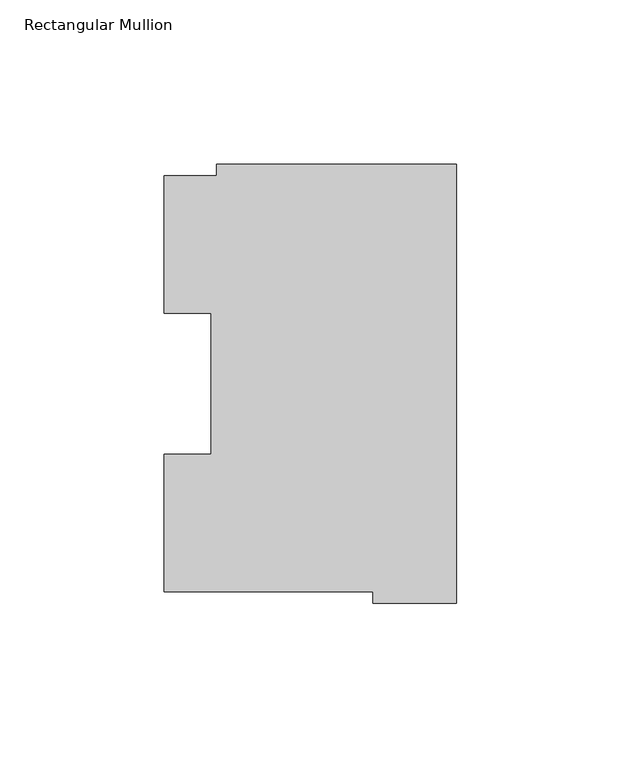
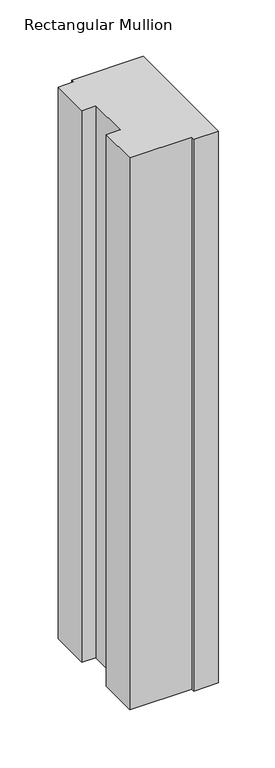
"""IFC4 building model written with IfcOpenShell, lengths in millimetres: member geometry, Rectangular Mullion."""

from ifc_helpers import new_model, si_unit, frame, origin, place, context, project, spatial, polyline, outline, extrude, source, transform, mapped, element, save


def rectangular_mullion_c79383f8(model_context):
    return source(origin(), model_context, "Body", "SweptSolid", [
        extrude(outline(polyline([(-72.9776553, 129.8730275), (0.0, 129.8730275), (0.0, -3.4911943), (-25.3822228, -3.4911943), (-25.3822228, -0.0373063), (-88.8822228, -0.0373063), (-88.8822228, 41.7508474), (-74.5923808, 41.7508474), (-74.5923808, 84.6335937), (-88.8822228, 84.6335937), (-88.8822228, 126.4546938), (-72.9776553, 126.4546938), (-72.9776553, 129.8730275)])), frame((0.0, 0.0, -596.9063826), z_axis=(0.0, 0.0, 1.0), x_axis=(1.0, 0.0, 0.0)), (0.0, 0.0, 1.0), 596.9063826),
    ])


if __name__ == "__main__":
    model = new_model("IFC4")
    model_context = context("Model", 3, world=origin())
    ifc_project = project(units=[si_unit("LENGTHUNIT", "METRE", prefix="MILLI")], contexts=[model_context])
    site = spatial("IfcSite", under=ifc_project)
    building = spatial("IfcBuilding", under=site)
    placement = place(None, origin())
    rectangular_mullion_shape = rectangular_mullion_c79383f8(model_context)
    element("IfcMember", 1, ObjectType="Rectangular Mullion", at=placement, inside=building, context=model_context, shape_type="MappedRepresentation", body=[
        mapped(rectangular_mullion_shape, transform((0.0, 0.0, 0.0), x_axis=(1.0, 0.0, 0.0), y_axis=(0.0, 1.0, 0.0), z_axis=(0.0, 0.0, 1.0))),
    ])
    save(model, "model.ifc")
